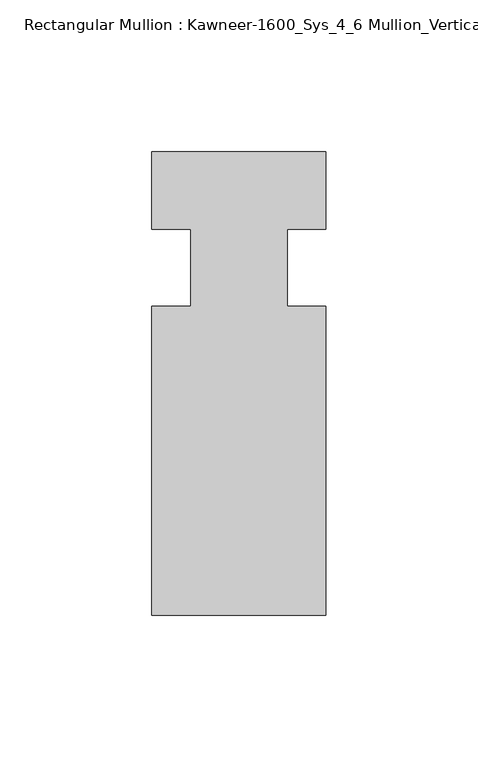
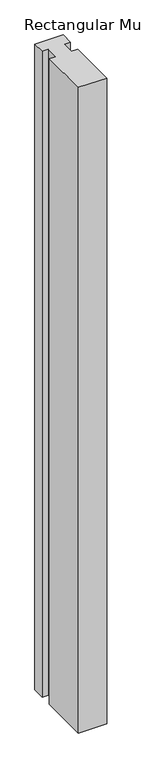
"""IFC4 building model written with IfcOpenShell, lengths in millimetres: member geometry, Rectangular Mullion : Kawneer-1600_Sys_4_6 Mullion_Vertical."""

from ifc_helpers import new_model, si_unit, frame, origin, place, context, project, spatial, polyline, outline, extrude, source, transform, mapped, element, save


def rectangular_mullion_kawneer_1600_sys_4_6_mullion_vertical_e8859e30(model_context):
    return source(origin(), model_context, "Body", "SweptSolid", [
        extrude(outline(polyline([(32.9094027, -114.3), (-24.2405973, -114.3), (-24.2405973, -12.7), (-11.5405973, -12.7), (-11.5405973, 12.7), (-24.2405973, 12.7), (-24.2405973, 38.1), (32.9094027, 38.1), (32.9094027, 12.7), (20.2076322, 12.7), (20.2076322, -12.7), (32.9094027, -12.7), (32.9094027, -114.3)])), frame((0.0, 0.0, -1381.6494027), z_axis=(0.0, 0.0, 1.0), x_axis=(1.0, 0.0, 0.0)), (0.0, 0.0, 1.0), 1381.6494027),
    ])


if __name__ == "__main__":
    model = new_model("IFC4")
    model_context = context("Model", 3, world=origin())
    ifc_project = project(units=[si_unit("LENGTHUNIT", "METRE", prefix="MILLI")], contexts=[model_context])
    site = spatial("IfcSite", under=ifc_project)
    building = spatial("IfcBuilding", under=site)
    placement = place(None, origin())
    rectangular_mullion_kawneer_1600_sys_4_6_mullion_vertical_shape = rectangular_mullion_kawneer_1600_sys_4_6_mullion_vertical_e8859e30(model_context)
    element("IfcMember", 1, ObjectType="Rectangular Mullion : Kawneer-1600_Sys_4_6 Mullion_Vertical", at=placement, inside=building, context=model_context, shape_type="MappedRepresentation", body=[
        mapped(rectangular_mullion_kawneer_1600_sys_4_6_mullion_vertical_shape, transform((0.0, 0.0, 0.0), x_axis=(1.0, 0.0, 0.0), y_axis=(0.0, 1.0, 0.0), z_axis=(0.0, 0.0, 1.0))),
    ])
    save(model, "model.ifc")
